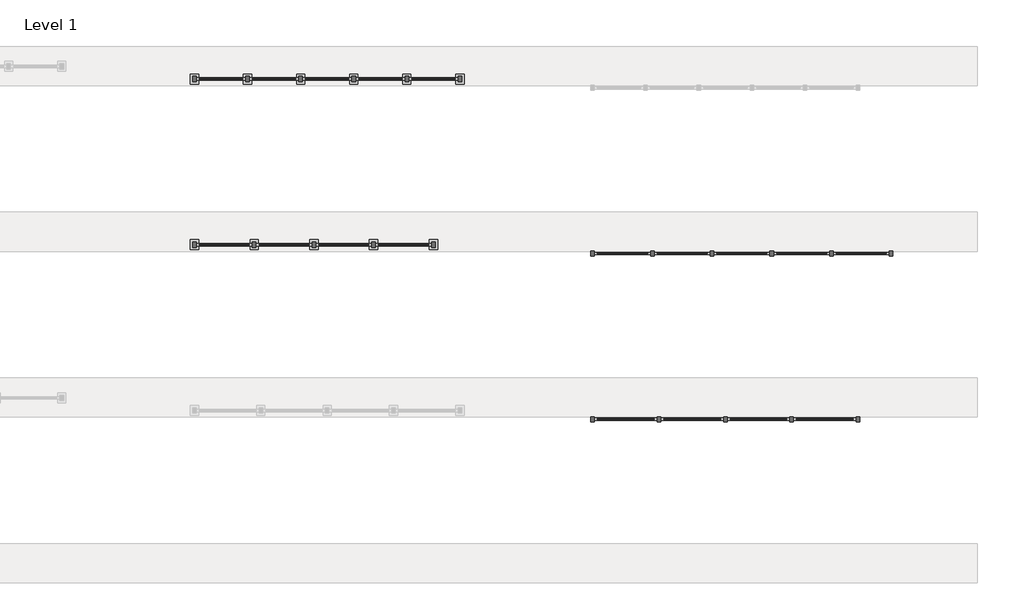
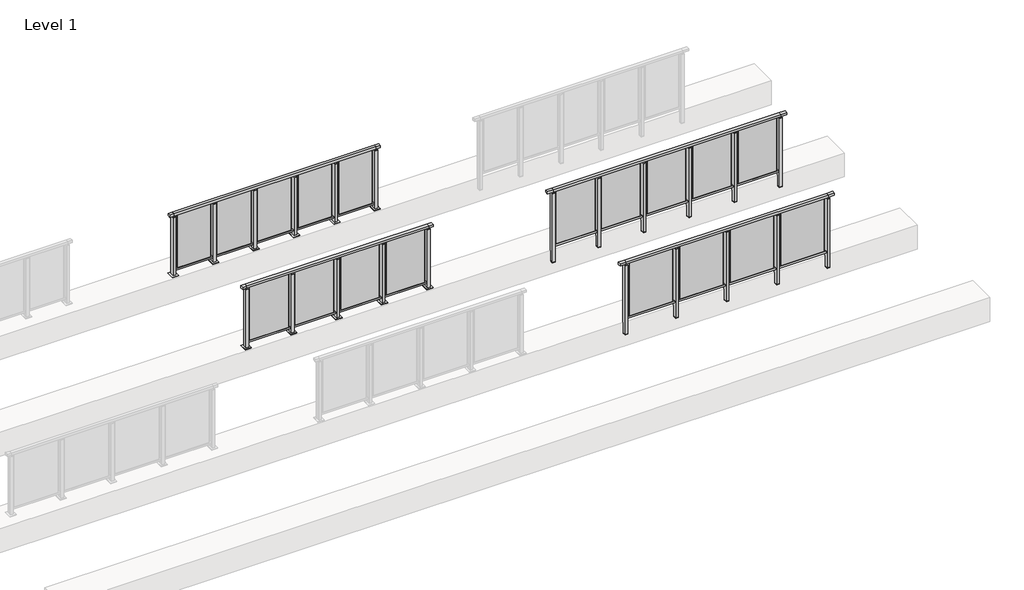
# One storey, part 35 of 38: 4 railings.
"""IFC4 building model written with IfcOpenShell, lengths in millimetres."""

from ifc_helpers import new_model, si_unit, frame, origin, origin_with_axes, place, context, project, spatial, polyline, outline, extrude, faceted_brep, element, save

model = new_model("IFC4")

# Units and contexts
model_context = context("Model", 3, world=origin())
ifc_project = project(units=[si_unit("LENGTHUNIT", "METRE", prefix="MILLI")], contexts=[model_context])

# Site, building, storey
site = spatial("IfcSite", under=ifc_project)
building = spatial("IfcBuilding", under=site)
storey = spatial("IfcBuildingStorey", under=building, Name="Level 1", Elevation=0.0)

# Railings
placement = place(None, origin())
element("IfcRailing", 1, at=placement, inside=storey, context=model_context, shape_type="SolidModel", body=[
    faceted_brep([(41476.1884576, 47397.6846828, 1252.5), (41476.1884576, 47397.6846828, 1300.0), (45476.1884576, 47397.6846828, 1300.0), (45476.1884576, 47397.6846828, 1252.5), (41476.1884576, 47337.6846828, 1252.5), (45476.1884576, 47337.6846828, 1252.5), (41476.1884576, 47337.6846828, 1300.0), (45476.1884576, 47337.6846828, 1300.0), (41353.1884576, 47397.6846828, 1300.0), (41353.1884576, 47397.6846828, 1252.5), (41353.1884576, 47337.6846828, 1252.5), (41353.1884576, 47337.6846828, 1300.0), (45599.1884576, 47397.6846828, 1300.0), (45599.1884576, 47337.6846828, 1300.0), (45599.1884576, 47337.6846828, 1252.5), (45599.1884576, 47397.6846828, 1252.5)], [[[0, 1, 2, 3]], [[4, 0, 3, 5]], [[6, 4, 5, 7]], [[1, 6, 7, 2]], [[8, 9, 10, 11]], [[9, 8, 1, 0]], [[10, 9, 0, 4]], [[11, 10, 4, 6]], [[8, 11, 6, 1]], [[12, 13, 14, 15]], [[3, 2, 12, 15]], [[5, 3, 15, 14]], [[7, 5, 14, 13]], [[2, 7, 13, 12]]]),
    extrude(outline(polyline([(41476.1884576, 47349.6846828), (41476.1884576, 47385.6846828), (45476.1884576, 47385.6846828), (45476.1884576, 47349.6846828), (41476.1884576, 47349.6846828)])), frame((0.0, 0.0, 93.0), z_axis=(0.0, 0.0, 1.0), x_axis=(1.0, 0.0, 0.0)), (0.0, 0.0, 1.0), 32.0),
    extrude(outline(polyline([(44548.6884576, 47365.9094929), (44548.6884576, 47371.9094929), (45403.6884576, 47371.9094929), (45403.6884576, 47365.9094929), (44548.6884576, 47365.9094929)])), frame((0.0, 0.0, 125.0), z_axis=(0.0, 0.0, 1.0), x_axis=(1.0, 0.0, 0.0)), (0.0, 0.0, 1.0), 1130.0),
    extrude(outline(polyline([(44503.1884576, 47406.6846828), (44503.1884576, 47328.6846828), (44449.1884576, 47328.6846828), (44449.1884576, 47406.6846828), (44503.1884576, 47406.6846828)])), frame((0.0, 0.0, 1227.0), z_axis=(0.0, 0.0, 1.0), x_axis=(1.0, 0.0, 0.0)), (0.0, 0.0, 1.0), 8.0),
    extrude(outline(polyline([(44486.1884576, 47377.6846828), (44486.1884576, 47357.6846828), (44466.1884576, 47357.6846828), (44466.1884576, 47377.6846828), (44486.1884576, 47377.6846828)])), frame((0.0, 0.0, 1235.0), z_axis=(0.0, 0.0, 1.0), x_axis=(1.0, 0.0, 0.0)), (0.0, 0.0, 1.0), 20.0),
    extrude(outline(polyline([(44503.1884576, 47406.6846828), (44503.1884576, 47328.6846828), (44449.1884576, 47328.6846828), (44449.1884576, 47406.6846828), (44503.1884576, 47406.6846828)])), frame((0.0, 0.0, -220.0), z_axis=(0.0, 0.0, 1.0), x_axis=(1.0, 0.0, 0.0)), (0.0, 0.0, 1.0), 8.0),
    extrude(outline(polyline([(44503.1884576, 47406.6846828), (44503.1884576, 47328.6846828), (44449.1884576, 47328.6846828), (44449.1884576, 47406.6846828), (44503.1884576, 47406.6846828)])), frame((0.0, 0.0, -212.0), z_axis=(0.0, 0.0, 1.0), x_axis=(1.0, 0.0, 0.0)), (0.0, 0.0, 1.0), 1439.0),
    extrude(outline(polyline([(43548.6884576, 47365.9094929), (43548.6884576, 47371.9094929), (44403.6884576, 47371.9094929), (44403.6884576, 47365.9094929), (43548.6884576, 47365.9094929)])), frame((0.0, 0.0, 125.0), z_axis=(0.0, 0.0, 1.0), x_axis=(1.0, 0.0, 0.0)), (0.0, 0.0, 1.0), 1130.0),
    extrude(outline(polyline([(43503.1884576, 47406.6846828), (43503.1884576, 47328.6846828), (43449.1884576, 47328.6846828), (43449.1884576, 47406.6846828), (43503.1884576, 47406.6846828)])), frame((0.0, 0.0, 1227.0), z_axis=(0.0, 0.0, 1.0), x_axis=(1.0, 0.0, 0.0)), (0.0, 0.0, 1.0), 8.0),
    extrude(outline(polyline([(43486.1884576, 47377.6846828), (43486.1884576, 47357.6846828), (43466.1884576, 47357.6846828), (43466.1884576, 47377.6846828), (43486.1884576, 47377.6846828)])), frame((0.0, 0.0, 1235.0), z_axis=(0.0, 0.0, 1.0), x_axis=(1.0, 0.0, 0.0)), (0.0, 0.0, 1.0), 20.0),
    extrude(outline(polyline([(43503.1884576, 47406.6846828), (43503.1884576, 47328.6846828), (43449.1884576, 47328.6846828), (43449.1884576, 47406.6846828), (43503.1884576, 47406.6846828)])), frame((0.0, 0.0, -220.0), z_axis=(0.0, 0.0, 1.0), x_axis=(1.0, 0.0, 0.0)), (0.0, 0.0, 1.0), 8.0),
    extrude(outline(polyline([(43503.1884576, 47406.6846828), (43503.1884576, 47328.6846828), (43449.1884576, 47328.6846828), (43449.1884576, 47406.6846828), (43503.1884576, 47406.6846828)])), frame((0.0, 0.0, -212.0), z_axis=(0.0, 0.0, 1.0), x_axis=(1.0, 0.0, 0.0)), (0.0, 0.0, 1.0), 1439.0),
    extrude(outline(polyline([(42548.6884576, 47365.9094929), (42548.6884576, 47371.9094929), (43403.6884576, 47371.9094929), (43403.6884576, 47365.9094929), (42548.6884576, 47365.9094929)])), frame((0.0, 0.0, 125.0), z_axis=(0.0, 0.0, 1.0), x_axis=(1.0, 0.0, 0.0)), (0.0, 0.0, 1.0), 1130.0),
    extrude(outline(polyline([(42503.1884576, 47406.6846828), (42503.1884576, 47328.6846828), (42449.1884576, 47328.6846828), (42449.1884576, 47406.6846828), (42503.1884576, 47406.6846828)])), frame((0.0, 0.0, 1227.0), z_axis=(0.0, 0.0, 1.0), x_axis=(1.0, 0.0, 0.0)), (0.0, 0.0, 1.0), 8.0),
    extrude(outline(polyline([(42486.1884576, 47377.6846828), (42486.1884576, 47357.6846828), (42466.1884576, 47357.6846828), (42466.1884576, 47377.6846828), (42486.1884576, 47377.6846828)])), frame((0.0, 0.0, 1235.0), z_axis=(0.0, 0.0, 1.0), x_axis=(1.0, 0.0, 0.0)), (0.0, 0.0, 1.0), 20.0),
    extrude(outline(polyline([(42503.1884576, 47406.6846828), (42503.1884576, 47328.6846828), (42449.1884576, 47328.6846828), (42449.1884576, 47406.6846828), (42503.1884576, 47406.6846828)])), frame((0.0, 0.0, -220.0), z_axis=(0.0, 0.0, 1.0), x_axis=(1.0, 0.0, 0.0)), (0.0, 0.0, 1.0), 8.0),
    extrude(outline(polyline([(42503.1884576, 47406.6846828), (42503.1884576, 47328.6846828), (42449.1884576, 47328.6846828), (42449.1884576, 47406.6846828), (42503.1884576, 47406.6846828)])), frame((0.0, 0.0, -212.0), z_axis=(0.0, 0.0, 1.0), x_axis=(1.0, 0.0, 0.0)), (0.0, 0.0, 1.0), 1439.0),
    extrude(outline(polyline([(41548.6884576, 47365.9094929), (41548.6884576, 47371.9094929), (42403.6884576, 47371.9094929), (42403.6884576, 47365.9094929), (41548.6884576, 47365.9094929)])), frame((0.0, 0.0, 125.0), z_axis=(0.0, 0.0, 1.0), x_axis=(1.0, 0.0, 0.0)), (0.0, 0.0, 1.0), 1130.0),
    extrude(outline(polyline([(45503.1884576, 47406.6846828), (45503.1884576, 47328.6846828), (45449.1884576, 47328.6846828), (45449.1884576, 47406.6846828), (45503.1884576, 47406.6846828)])), frame((0.0, 0.0, 1227.0), z_axis=(0.0, 0.0, 1.0), x_axis=(1.0, 0.0, 0.0)), (0.0, 0.0, 1.0), 8.0),
    extrude(outline(polyline([(45486.1884576, 47377.6846828), (45486.1884576, 47357.6846828), (45466.1884576, 47357.6846828), (45466.1884576, 47377.6846828), (45486.1884576, 47377.6846828)])), frame((0.0, 0.0, 1235.0), z_axis=(0.0, 0.0, 1.0), x_axis=(1.0, 0.0, 0.0)), (0.0, 0.0, 1.0), 20.0),
    extrude(outline(polyline([(45503.1884576, 47406.6846828), (45503.1884576, 47328.6846828), (45449.1884576, 47328.6846828), (45449.1884576, 47406.6846828), (45503.1884576, 47406.6846828)])), frame((0.0, 0.0, -220.0), z_axis=(0.0, 0.0, 1.0), x_axis=(1.0, 0.0, 0.0)), (0.0, 0.0, 1.0), 8.0),
    extrude(outline(polyline([(45503.1884576, 47406.6846828), (45503.1884576, 47328.6846828), (45449.1884576, 47328.6846828), (45449.1884576, 47406.6846828), (45503.1884576, 47406.6846828)])), frame((0.0, 0.0, -212.0), z_axis=(0.0, 0.0, 1.0), x_axis=(1.0, 0.0, 0.0)), (0.0, 0.0, 1.0), 1439.0),
    extrude(outline(polyline([(41503.1884576, 47406.6846828), (41503.1884576, 47328.6846828), (41449.1884576, 47328.6846828), (41449.1884576, 47406.6846828), (41503.1884576, 47406.6846828)])), frame((0.0, 0.0, 1227.0), z_axis=(0.0, 0.0, 1.0), x_axis=(1.0, 0.0, 0.0)), (0.0, 0.0, 1.0), 8.0),
    extrude(outline(polyline([(41486.1884576, 47377.6846828), (41486.1884576, 47357.6846828), (41466.1884576, 47357.6846828), (41466.1884576, 47377.6846828), (41486.1884576, 47377.6846828)])), frame((0.0, 0.0, 1235.0), z_axis=(0.0, 0.0, 1.0), x_axis=(1.0, 0.0, 0.0)), (0.0, 0.0, 1.0), 20.0),
    extrude(outline(polyline([(41503.1884576, 47406.6846828), (41503.1884576, 47328.6846828), (41449.1884576, 47328.6846828), (41449.1884576, 47406.6846828), (41503.1884576, 47406.6846828)])), frame((0.0, 0.0, -220.0), z_axis=(0.0, 0.0, 1.0), x_axis=(1.0, 0.0, 0.0)), (0.0, 0.0, 1.0), 8.0),
    extrude(outline(polyline([(41503.1884576, 47406.6846828), (41503.1884576, 47328.6846828), (41449.1884576, 47328.6846828), (41449.1884576, 47406.6846828), (41503.1884576, 47406.6846828)])), frame((0.0, 0.0, -212.0), z_axis=(0.0, 0.0, 1.0), x_axis=(1.0, 0.0, 0.0)), (0.0, 0.0, 1.0), 1439.0),
])
element("IfcRailing", 2, at=placement, inside=storey, context=model_context, shape_type="SolidModel", body=[
    faceted_brep([(41476.1884576, 49897.6846828, 1252.5), (41476.1884576, 49897.6846828, 1300.0), (45976.1884576, 49897.6846828, 1300.0), (45976.1884576, 49897.6846828, 1252.5), (41476.1884576, 49837.6846828, 1252.5), (45976.1884576, 49837.6846828, 1252.5), (41476.1884576, 49837.6846828, 1300.0), (45976.1884576, 49837.6846828, 1300.0), (41353.1884576, 49897.6846828, 1300.0), (41353.1884576, 49897.6846828, 1252.5), (41353.1884576, 49837.6846828, 1252.5), (41353.1884576, 49837.6846828, 1300.0), (46099.1884576, 49897.6846828, 1300.0), (46099.1884576, 49837.6846828, 1300.0), (46099.1884576, 49837.6846828, 1252.5), (46099.1884576, 49897.6846828, 1252.5)], [[[0, 1, 2, 3]], [[4, 0, 3, 5]], [[6, 4, 5, 7]], [[1, 6, 7, 2]], [[8, 9, 10, 11]], [[9, 8, 1, 0]], [[10, 9, 0, 4]], [[11, 10, 4, 6]], [[8, 11, 6, 1]], [[12, 13, 14, 15]], [[3, 2, 12, 15]], [[5, 3, 15, 14]], [[7, 5, 14, 13]], [[2, 7, 13, 12]]]),
    extrude(outline(polyline([(41476.1884576, 49849.6846828), (41476.1884576, 49885.6846828), (45976.1884576, 49885.6846828), (45976.1884576, 49849.6846828), (41476.1884576, 49849.6846828)])), frame((0.0, 0.0, 93.0), z_axis=(0.0, 0.0, 1.0), x_axis=(1.0, 0.0, 0.0)), (0.0, 0.0, 1.0), 32.0),
    extrude(outline(polyline([(45148.6884576, 49863.9094929), (45148.6884576, 49873.9094929), (45903.6884576, 49873.9094929), (45903.6884576, 49863.9094929), (45148.6884576, 49863.9094929)])), frame((0.0, 0.0, 125.0), z_axis=(0.0, 0.0, 1.0), x_axis=(1.0, 0.0, 0.0)), (0.0, 0.0, 1.0), 1130.0),
    extrude(outline(polyline([(45103.1884576, 49906.6846828), (45103.1884576, 49828.6846828), (45049.1884576, 49828.6846828), (45049.1884576, 49906.6846828), (45103.1884576, 49906.6846828)])), frame((0.0, 0.0, 1227.0), z_axis=(0.0, 0.0, 1.0), x_axis=(1.0, 0.0, 0.0)), (0.0, 0.0, 1.0), 8.0),
    extrude(outline(polyline([(45086.1884576, 49877.6846828), (45086.1884576, 49857.6846828), (45066.1884576, 49857.6846828), (45066.1884576, 49877.6846828), (45086.1884576, 49877.6846828)])), frame((0.0, 0.0, 1235.0), z_axis=(0.0, 0.0, 1.0), x_axis=(1.0, 0.0, 0.0)), (0.0, 0.0, 1.0), 20.0),
    extrude(outline(polyline([(45103.1884576, 49906.6846828), (45103.1884576, 49828.6846828), (45049.1884576, 49828.6846828), (45049.1884576, 49906.6846828), (45103.1884576, 49906.6846828)])), frame((0.0, 0.0, -220.0), z_axis=(0.0, 0.0, 1.0), x_axis=(1.0, 0.0, 0.0)), (0.0, 0.0, 1.0), 8.0),
    extrude(outline(polyline([(45103.1884576, 49906.6846828), (45103.1884576, 49828.6846828), (45049.1884576, 49828.6846828), (45049.1884576, 49906.6846828), (45103.1884576, 49906.6846828)])), frame((0.0, 0.0, -212.0), z_axis=(0.0, 0.0, 1.0), x_axis=(1.0, 0.0, 0.0)), (0.0, 0.0, 1.0), 1439.0),
    extrude(outline(polyline([(44248.6884576, 49863.9094929), (44248.6884576, 49873.9094929), (45003.6884576, 49873.9094929), (45003.6884576, 49863.9094929), (44248.6884576, 49863.9094929)])), frame((0.0, 0.0, 125.0), z_axis=(0.0, 0.0, 1.0), x_axis=(1.0, 0.0, 0.0)), (0.0, 0.0, 1.0), 1130.0),
    extrude(outline(polyline([(44203.1884576, 49906.6846828), (44203.1884576, 49828.6846828), (44149.1884576, 49828.6846828), (44149.1884576, 49906.6846828), (44203.1884576, 49906.6846828)])), frame((0.0, 0.0, 1227.0), z_axis=(0.0, 0.0, 1.0), x_axis=(1.0, 0.0, 0.0)), (0.0, 0.0, 1.0), 8.0),
    extrude(outline(polyline([(44186.1884576, 49877.6846828), (44186.1884576, 49857.6846828), (44166.1884576, 49857.6846828), (44166.1884576, 49877.6846828), (44186.1884576, 49877.6846828)])), frame((0.0, 0.0, 1235.0), z_axis=(0.0, 0.0, 1.0), x_axis=(1.0, 0.0, 0.0)), (0.0, 0.0, 1.0), 20.0),
    extrude(outline(polyline([(44203.1884576, 49906.6846828), (44203.1884576, 49828.6846828), (44149.1884576, 49828.6846828), (44149.1884576, 49906.6846828), (44203.1884576, 49906.6846828)])), frame((0.0, 0.0, -220.0), z_axis=(0.0, 0.0, 1.0), x_axis=(1.0, 0.0, 0.0)), (0.0, 0.0, 1.0), 8.0),
    extrude(outline(polyline([(44203.1884576, 49906.6846828), (44203.1884576, 49828.6846828), (44149.1884576, 49828.6846828), (44149.1884576, 49906.6846828), (44203.1884576, 49906.6846828)])), frame((0.0, 0.0, -212.0), z_axis=(0.0, 0.0, 1.0), x_axis=(1.0, 0.0, 0.0)), (0.0, 0.0, 1.0), 1439.0),
    extrude(outline(polyline([(43348.6884576, 49863.9094929), (43348.6884576, 49873.9094929), (44103.6884576, 49873.9094929), (44103.6884576, 49863.9094929), (43348.6884576, 49863.9094929)])), frame((0.0, 0.0, 125.0), z_axis=(0.0, 0.0, 1.0), x_axis=(1.0, 0.0, 0.0)), (0.0, 0.0, 1.0), 1130.0),
    extrude(outline(polyline([(43303.1884576, 49906.6846828), (43303.1884576, 49828.6846828), (43249.1884576, 49828.6846828), (43249.1884576, 49906.6846828), (43303.1884576, 49906.6846828)])), frame((0.0, 0.0, 1227.0), z_axis=(0.0, 0.0, 1.0), x_axis=(1.0, 0.0, 0.0)), (0.0, 0.0, 1.0), 8.0),
    extrude(outline(polyline([(43286.1884576, 49877.6846828), (43286.1884576, 49857.6846828), (43266.1884576, 49857.6846828), (43266.1884576, 49877.6846828), (43286.1884576, 49877.6846828)])), frame((0.0, 0.0, 1235.0), z_axis=(0.0, 0.0, 1.0), x_axis=(1.0, 0.0, 0.0)), (0.0, 0.0, 1.0), 20.0),
    extrude(outline(polyline([(43303.1884576, 49906.6846828), (43303.1884576, 49828.6846828), (43249.1884576, 49828.6846828), (43249.1884576, 49906.6846828), (43303.1884576, 49906.6846828)])), frame((0.0, 0.0, -220.0), z_axis=(0.0, 0.0, 1.0), x_axis=(1.0, 0.0, 0.0)), (0.0, 0.0, 1.0), 8.0),
    extrude(outline(polyline([(43303.1884576, 49906.6846828), (43303.1884576, 49828.6846828), (43249.1884576, 49828.6846828), (43249.1884576, 49906.6846828), (43303.1884576, 49906.6846828)])), frame((0.0, 0.0, -212.0), z_axis=(0.0, 0.0, 1.0), x_axis=(1.0, 0.0, 0.0)), (0.0, 0.0, 1.0), 1439.0),
    extrude(outline(polyline([(42448.6884576, 49863.9094929), (42448.6884576, 49873.9094929), (43203.6884576, 49873.9094929), (43203.6884576, 49863.9094929), (42448.6884576, 49863.9094929)])), frame((0.0, 0.0, 125.0), z_axis=(0.0, 0.0, 1.0), x_axis=(1.0, 0.0, 0.0)), (0.0, 0.0, 1.0), 1130.0),
    extrude(outline(polyline([(42403.1884576, 49906.6846828), (42403.1884576, 49828.6846828), (42349.1884576, 49828.6846828), (42349.1884576, 49906.6846828), (42403.1884576, 49906.6846828)])), frame((0.0, 0.0, 1227.0), z_axis=(0.0, 0.0, 1.0), x_axis=(1.0, 0.0, 0.0)), (0.0, 0.0, 1.0), 8.0),
    extrude(outline(polyline([(42386.1884576, 49877.6846828), (42386.1884576, 49857.6846828), (42366.1884576, 49857.6846828), (42366.1884576, 49877.6846828), (42386.1884576, 49877.6846828)])), frame((0.0, 0.0, 1235.0), z_axis=(0.0, 0.0, 1.0), x_axis=(1.0, 0.0, 0.0)), (0.0, 0.0, 1.0), 20.0),
    extrude(outline(polyline([(42403.1884576, 49906.6846828), (42403.1884576, 49828.6846828), (42349.1884576, 49828.6846828), (42349.1884576, 49906.6846828), (42403.1884576, 49906.6846828)])), frame((0.0, 0.0, -220.0), z_axis=(0.0, 0.0, 1.0), x_axis=(1.0, 0.0, 0.0)), (0.0, 0.0, 1.0), 8.0),
    extrude(outline(polyline([(42403.1884576, 49906.6846828), (42403.1884576, 49828.6846828), (42349.1884576, 49828.6846828), (42349.1884576, 49906.6846828), (42403.1884576, 49906.6846828)])), frame((0.0, 0.0, -212.0), z_axis=(0.0, 0.0, 1.0), x_axis=(1.0, 0.0, 0.0)), (0.0, 0.0, 1.0), 1439.0),
    extrude(outline(polyline([(41548.6884576, 49863.9094929), (41548.6884576, 49873.9094929), (42303.6884576, 49873.9094929), (42303.6884576, 49863.9094929), (41548.6884576, 49863.9094929)])), frame((0.0, 0.0, 125.0), z_axis=(0.0, 0.0, 1.0), x_axis=(1.0, 0.0, 0.0)), (0.0, 0.0, 1.0), 1130.0),
    extrude(outline(polyline([(46003.1884576, 49906.6846828), (46003.1884576, 49828.6846828), (45949.1884576, 49828.6846828), (45949.1884576, 49906.6846828), (46003.1884576, 49906.6846828)])), frame((0.0, 0.0, 1227.0), z_axis=(0.0, 0.0, 1.0), x_axis=(1.0, 0.0, 0.0)), (0.0, 0.0, 1.0), 8.0),
    extrude(outline(polyline([(45986.1884576, 49877.6846828), (45986.1884576, 49857.6846828), (45966.1884576, 49857.6846828), (45966.1884576, 49877.6846828), (45986.1884576, 49877.6846828)])), frame((0.0, 0.0, 1235.0), z_axis=(0.0, 0.0, 1.0), x_axis=(1.0, 0.0, 0.0)), (0.0, 0.0, 1.0), 20.0),
    extrude(outline(polyline([(46003.1884576, 49906.6846828), (46003.1884576, 49828.6846828), (45949.1884576, 49828.6846828), (45949.1884576, 49906.6846828), (46003.1884576, 49906.6846828)])), frame((0.0, 0.0, -220.0), z_axis=(0.0, 0.0, 1.0), x_axis=(1.0, 0.0, 0.0)), (0.0, 0.0, 1.0), 8.0),
    extrude(outline(polyline([(46003.1884576, 49906.6846828), (46003.1884576, 49828.6846828), (45949.1884576, 49828.6846828), (45949.1884576, 49906.6846828), (46003.1884576, 49906.6846828)])), frame((0.0, 0.0, -212.0), z_axis=(0.0, 0.0, 1.0), x_axis=(1.0, 0.0, 0.0)), (0.0, 0.0, 1.0), 1439.0),
    extrude(outline(polyline([(41503.1884576, 49906.6846828), (41503.1884576, 49828.6846828), (41449.1884576, 49828.6846828), (41449.1884576, 49906.6846828), (41503.1884576, 49906.6846828)])), frame((0.0, 0.0, 1227.0), z_axis=(0.0, 0.0, 1.0), x_axis=(1.0, 0.0, 0.0)), (0.0, 0.0, 1.0), 8.0),
    extrude(outline(polyline([(41486.1884576, 49877.6846828), (41486.1884576, 49857.6846828), (41466.1884576, 49857.6846828), (41466.1884576, 49877.6846828), (41486.1884576, 49877.6846828)])), frame((0.0, 0.0, 1235.0), z_axis=(0.0, 0.0, 1.0), x_axis=(1.0, 0.0, 0.0)), (0.0, 0.0, 1.0), 20.0),
    extrude(outline(polyline([(41503.1884576, 49906.6846828), (41503.1884576, 49828.6846828), (41449.1884576, 49828.6846828), (41449.1884576, 49906.6846828), (41503.1884576, 49906.6846828)])), frame((0.0, 0.0, -220.0), z_axis=(0.0, 0.0, 1.0), x_axis=(1.0, 0.0, 0.0)), (0.0, 0.0, 1.0), 8.0),
    extrude(outline(polyline([(41503.1884576, 49906.6846828), (41503.1884576, 49828.6846828), (41449.1884576, 49828.6846828), (41449.1884576, 49906.6846828), (41503.1884576, 49906.6846828)])), frame((0.0, 0.0, -212.0), z_axis=(0.0, 0.0, 1.0), x_axis=(1.0, 0.0, 0.0)), (0.0, 0.0, 1.0), 1439.0),
])
element("IfcRailing", 3, at=placement, inside=storey, context=model_context, shape_type="SolidModel", body=[
    faceted_brep([(35476.1884576, 50030.1846828, 1252.5), (35476.1884576, 50030.1846828, 1300.0), (39076.1884576, 50030.1846828, 1300.0), (39076.1884576, 50030.1846828, 1252.5), (35476.1884576, 49970.1846828, 1252.5), (39076.1884576, 49970.1846828, 1252.5), (35476.1884576, 49970.1846828, 1300.0), (39076.1884576, 49970.1846828, 1300.0), (35388.6884576, 50030.1846828, 1300.0), (35388.6884576, 50030.1846828, 1252.5), (35388.6884576, 49970.1846828, 1252.5), (35388.6884576, 49970.1846828, 1300.0), (39163.6884576, 50030.1846828, 1300.0), (39163.6884576, 49970.1846828, 1300.0), (39163.6884576, 49970.1846828, 1252.5), (39163.6884576, 50030.1846828, 1252.5)], [[[0, 1, 2, 3]], [[4, 0, 3, 5]], [[6, 4, 5, 7]], [[1, 6, 7, 2]], [[8, 9, 10, 11]], [[9, 8, 1, 0]], [[10, 9, 0, 4]], [[11, 10, 4, 6]], [[8, 11, 6, 1]], [[12, 13, 14, 15]], [[3, 2, 12, 15]], [[5, 3, 15, 14]], [[7, 5, 14, 13]], [[2, 7, 13, 12]]]),
    extrude(outline(polyline([(35476.1884576, 49982.1846828), (35476.1884576, 50018.1846828), (39076.1884576, 50018.1846828), (39076.1884576, 49982.1846828), (35476.1884576, 49982.1846828)])), frame((0.0, 0.0, 93.0), z_axis=(0.0, 0.0, 1.0), x_axis=(1.0, 0.0, 0.0)), (0.0, 0.0, 1.0), 32.0),
    extrude(outline(polyline([(38248.6884576, 50003.9598727), (39003.6884576, 50003.9598727), (39003.6884576, 49993.9598727), (38248.6884576, 49993.9598727), (38248.6884576, 50003.9598727)])), frame((0.0, 0.0, 125.0), z_axis=(0.0, 0.0, 1.0), x_axis=(1.0, 0.0, 0.0)), (0.0, 0.0, 1.0), 1130.0),
    extrude(outline(polyline([(38203.1884576, 49961.1846828), (38149.1884576, 49961.1846828), (38149.1884576, 50039.1846828), (38203.1884576, 50039.1846828), (38203.1884576, 49961.1846828)])), frame((0.0, 0.0, 12.0), z_axis=(0.0, 0.0, 1.0), x_axis=(1.0, 0.0, 0.0)), (0.0, 0.0, 1.0), 1215.0),
    extrude(outline(polyline([(38186.1884576, 49990.1846828), (38166.1884576, 49990.1846828), (38166.1884576, 50010.1846828), (38186.1884576, 50010.1846828), (38186.1884576, 49990.1846828)])), frame((0.0, 0.0, 1235.0), z_axis=(0.0, 0.0, 1.0), x_axis=(1.0, 0.0, 0.0)), (0.0, 0.0, 1.0), 20.0),
    extrude(outline(polyline([(38203.1884576, 49961.1846828), (38149.1884576, 49961.1846828), (38149.1884576, 50039.1846828), (38203.1884576, 50039.1846828), (38203.1884576, 49961.1846828)])), frame((0.0, 0.0, 1227.0), z_axis=(0.0, 0.0, 1.0), x_axis=(1.0, 0.0, 0.0)), (0.0, 0.0, 1.0), 8.0),
    extrude(outline(polyline([(38238.6884576, 49925.1846828), (38113.6884576, 49925.1846828), (38113.6884576, 50075.1846828), (38238.6884576, 50075.1846828), (38238.6884576, 49925.1846828)])), origin_with_axes(), (0.0, 0.0, 1.0), 12.0),
    extrude(outline(polyline([(37348.6884576, 50003.9598727), (38103.6884576, 50003.9598727), (38103.6884576, 49993.9598727), (37348.6884576, 49993.9598727), (37348.6884576, 50003.9598727)])), frame((0.0, 0.0, 125.0), z_axis=(0.0, 0.0, 1.0), x_axis=(1.0, 0.0, 0.0)), (0.0, 0.0, 1.0), 1130.0),
    extrude(outline(polyline([(37303.1884576, 49961.1846828), (37249.1884576, 49961.1846828), (37249.1884576, 50039.1846828), (37303.1884576, 50039.1846828), (37303.1884576, 49961.1846828)])), frame((0.0, 0.0, 12.0), z_axis=(0.0, 0.0, 1.0), x_axis=(1.0, 0.0, 0.0)), (0.0, 0.0, 1.0), 1215.0),
    extrude(outline(polyline([(37286.1884576, 49990.1846828), (37266.1884576, 49990.1846828), (37266.1884576, 50010.1846828), (37286.1884576, 50010.1846828), (37286.1884576, 49990.1846828)])), frame((0.0, 0.0, 1235.0), z_axis=(0.0, 0.0, 1.0), x_axis=(1.0, 0.0, 0.0)), (0.0, 0.0, 1.0), 20.0),
    extrude(outline(polyline([(37303.1884576, 49961.1846828), (37249.1884576, 49961.1846828), (37249.1884576, 50039.1846828), (37303.1884576, 50039.1846828), (37303.1884576, 49961.1846828)])), frame((0.0, 0.0, 1227.0), z_axis=(0.0, 0.0, 1.0), x_axis=(1.0, 0.0, 0.0)), (0.0, 0.0, 1.0), 8.0),
    extrude(outline(polyline([(37338.6884576, 49925.1846828), (37213.6884576, 49925.1846828), (37213.6884576, 50075.1846828), (37338.6884576, 50075.1846828), (37338.6884576, 49925.1846828)])), origin_with_axes(), (0.0, 0.0, 1.0), 12.0),
    extrude(outline(polyline([(36448.6884576, 50003.9598727), (37203.6884576, 50003.9598727), (37203.6884576, 49993.9598727), (36448.6884576, 49993.9598727), (36448.6884576, 50003.9598727)])), frame((0.0, 0.0, 125.0), z_axis=(0.0, 0.0, 1.0), x_axis=(1.0, 0.0, 0.0)), (0.0, 0.0, 1.0), 1130.0),
    extrude(outline(polyline([(36403.1884576, 49961.1846828), (36349.1884576, 49961.1846828), (36349.1884576, 50039.1846828), (36403.1884576, 50039.1846828), (36403.1884576, 49961.1846828)])), frame((0.0, 0.0, 12.0), z_axis=(0.0, 0.0, 1.0), x_axis=(1.0, 0.0, 0.0)), (0.0, 0.0, 1.0), 1215.0),
    extrude(outline(polyline([(36386.1884576, 49990.1846828), (36366.1884576, 49990.1846828), (36366.1884576, 50010.1846828), (36386.1884576, 50010.1846828), (36386.1884576, 49990.1846828)])), frame((0.0, 0.0, 1235.0), z_axis=(0.0, 0.0, 1.0), x_axis=(1.0, 0.0, 0.0)), (0.0, 0.0, 1.0), 20.0),
    extrude(outline(polyline([(36403.1884576, 49961.1846828), (36349.1884576, 49961.1846828), (36349.1884576, 50039.1846828), (36403.1884576, 50039.1846828), (36403.1884576, 49961.1846828)])), frame((0.0, 0.0, 1227.0), z_axis=(0.0, 0.0, 1.0), x_axis=(1.0, 0.0, 0.0)), (0.0, 0.0, 1.0), 8.0),
    extrude(outline(polyline([(36438.6884576, 49925.1846828), (36313.6884576, 49925.1846828), (36313.6884576, 50075.1846828), (36438.6884576, 50075.1846828), (36438.6884576, 49925.1846828)])), origin_with_axes(), (0.0, 0.0, 1.0), 12.0),
    extrude(outline(polyline([(35548.6884576, 50003.9598727), (36303.6884576, 50003.9598727), (36303.6884576, 49993.9598727), (35548.6884576, 49993.9598727), (35548.6884576, 50003.9598727)])), frame((0.0, 0.0, 125.0), z_axis=(0.0, 0.0, 1.0), x_axis=(1.0, 0.0, 0.0)), (0.0, 0.0, 1.0), 1130.0),
    extrude(outline(polyline([(39103.1884576, 49961.1846828), (39049.1884576, 49961.1846828), (39049.1884576, 50039.1846828), (39103.1884576, 50039.1846828), (39103.1884576, 49961.1846828)])), frame((0.0, 0.0, 12.0), z_axis=(0.0, 0.0, 1.0), x_axis=(1.0, 0.0, 0.0)), (0.0, 0.0, 1.0), 1215.0),
    extrude(outline(polyline([(39086.1884576, 49990.1846828), (39066.1884576, 49990.1846828), (39066.1884576, 50010.1846828), (39086.1884576, 50010.1846828), (39086.1884576, 49990.1846828)])), frame((0.0, 0.0, 1235.0), z_axis=(0.0, 0.0, 1.0), x_axis=(1.0, 0.0, 0.0)), (0.0, 0.0, 1.0), 20.0),
    extrude(outline(polyline([(39103.1884576, 49961.1846828), (39049.1884576, 49961.1846828), (39049.1884576, 50039.1846828), (39103.1884576, 50039.1846828), (39103.1884576, 49961.1846828)])), frame((0.0, 0.0, 1227.0), z_axis=(0.0, 0.0, 1.0), x_axis=(1.0, 0.0, 0.0)), (0.0, 0.0, 1.0), 8.0),
    extrude(outline(polyline([(39138.6884576, 49925.1846828), (39013.6884576, 49925.1846828), (39013.6884576, 50075.1846828), (39138.6884576, 50075.1846828), (39138.6884576, 49925.1846828)])), origin_with_axes(), (0.0, 0.0, 1.0), 12.0),
    extrude(outline(polyline([(35503.1884576, 49961.1846828), (35449.1884576, 49961.1846828), (35449.1884576, 50039.1846828), (35503.1884576, 50039.1846828), (35503.1884576, 49961.1846828)])), frame((0.0, 0.0, 12.0), z_axis=(0.0, 0.0, 1.0), x_axis=(1.0, 0.0, 0.0)), (0.0, 0.0, 1.0), 1215.0),
    extrude(outline(polyline([(35486.1884576, 49990.1846828), (35466.1884576, 49990.1846828), (35466.1884576, 50010.1846828), (35486.1884576, 50010.1846828), (35486.1884576, 49990.1846828)])), frame((0.0, 0.0, 1235.0), z_axis=(0.0, 0.0, 1.0), x_axis=(1.0, 0.0, 0.0)), (0.0, 0.0, 1.0), 20.0),
    extrude(outline(polyline([(35503.1884576, 49961.1846828), (35449.1884576, 49961.1846828), (35449.1884576, 50039.1846828), (35503.1884576, 50039.1846828), (35503.1884576, 49961.1846828)])), frame((0.0, 0.0, 1227.0), z_axis=(0.0, 0.0, 1.0), x_axis=(1.0, 0.0, 0.0)), (0.0, 0.0, 1.0), 8.0),
    extrude(outline(polyline([(35538.6884576, 49925.1846828), (35413.6884576, 49925.1846828), (35413.6884576, 50075.1846828), (35538.6884576, 50075.1846828), (35538.6884576, 49925.1846828)])), origin_with_axes(), (0.0, 0.0, 1.0), 12.0),
])
element("IfcRailing", 4, at=placement, inside=storey, context=model_context, shape_type="SolidModel", body=[
    faceted_brep([(35476.1884576, 52530.1846828, 1252.5), (35476.1884576, 52530.1846828, 1300.0), (39476.1884576, 52530.1846828, 1300.0), (39476.1884576, 52530.1846828, 1252.5), (35476.1884576, 52470.1846828, 1252.5), (39476.1884576, 52470.1846828, 1252.5), (35476.1884576, 52470.1846828, 1300.0), (39476.1884576, 52470.1846828, 1300.0), (35388.6884576, 52530.1846828, 1300.0), (35388.6884576, 52530.1846828, 1252.5), (35388.6884576, 52470.1846828, 1252.5), (35388.6884576, 52470.1846828, 1300.0), (39563.6884576, 52530.1846828, 1300.0), (39563.6884576, 52470.1846828, 1300.0), (39563.6884576, 52470.1846828, 1252.5), (39563.6884576, 52530.1846828, 1252.5)], [[[0, 1, 2, 3]], [[4, 0, 3, 5]], [[6, 4, 5, 7]], [[1, 6, 7, 2]], [[8, 9, 10, 11]], [[9, 8, 1, 0]], [[10, 9, 0, 4]], [[11, 10, 4, 6]], [[8, 11, 6, 1]], [[12, 13, 14, 15]], [[3, 2, 12, 15]], [[5, 3, 15, 14]], [[7, 5, 14, 13]], [[2, 7, 13, 12]]]),
    extrude(outline(polyline([(35476.1884576, 52482.1846828), (35476.1884576, 52518.1846828), (39476.1884576, 52518.1846828), (39476.1884576, 52482.1846828), (35476.1884576, 52482.1846828)])), frame((0.0, 0.0, 93.0), z_axis=(0.0, 0.0, 1.0), x_axis=(1.0, 0.0, 0.0)), (0.0, 0.0, 1.0), 32.0),
    extrude(outline(polyline([(38748.6884576, 52503.9598727), (39403.6884576, 52503.9598727), (39403.6884576, 52493.9598727), (38748.6884576, 52493.9598727), (38748.6884576, 52503.9598727)])), frame((0.0, 0.0, 125.0), z_axis=(0.0, 0.0, 1.0), x_axis=(1.0, 0.0, 0.0)), (0.0, 0.0, 1.0), 1130.0),
    extrude(outline(polyline([(38703.1884576, 52461.1846828), (38649.1884576, 52461.1846828), (38649.1884576, 52539.1846828), (38703.1884576, 52539.1846828), (38703.1884576, 52461.1846828)])), frame((0.0, 0.0, 12.0), z_axis=(0.0, 0.0, 1.0), x_axis=(1.0, 0.0, 0.0)), (0.0, 0.0, 1.0), 1215.0),
    extrude(outline(polyline([(38686.1884576, 52490.1846828), (38666.1884576, 52490.1846828), (38666.1884576, 52510.1846828), (38686.1884576, 52510.1846828), (38686.1884576, 52490.1846828)])), frame((0.0, 0.0, 1235.0), z_axis=(0.0, 0.0, 1.0), x_axis=(1.0, 0.0, 0.0)), (0.0, 0.0, 1.0), 20.0),
    extrude(outline(polyline([(38703.1884576, 52461.1846828), (38649.1884576, 52461.1846828), (38649.1884576, 52539.1846828), (38703.1884576, 52539.1846828), (38703.1884576, 52461.1846828)])), frame((0.0, 0.0, 1227.0), z_axis=(0.0, 0.0, 1.0), x_axis=(1.0, 0.0, 0.0)), (0.0, 0.0, 1.0), 8.0),
    extrude(outline(polyline([(38738.6884576, 52425.1846828), (38613.6884576, 52425.1846828), (38613.6884576, 52575.1846828), (38738.6884576, 52575.1846828), (38738.6884576, 52425.1846828)])), origin_with_axes(), (0.0, 0.0, 1.0), 12.0),
    extrude(outline(polyline([(37948.6884576, 52503.9598727), (38603.6884576, 52503.9598727), (38603.6884576, 52493.9598727), (37948.6884576, 52493.9598727), (37948.6884576, 52503.9598727)])), frame((0.0, 0.0, 125.0), z_axis=(0.0, 0.0, 1.0), x_axis=(1.0, 0.0, 0.0)), (0.0, 0.0, 1.0), 1130.0),
    extrude(outline(polyline([(37903.1884576, 52461.1846828), (37849.1884576, 52461.1846828), (37849.1884576, 52539.1846828), (37903.1884576, 52539.1846828), (37903.1884576, 52461.1846828)])), frame((0.0, 0.0, 12.0), z_axis=(0.0, 0.0, 1.0), x_axis=(1.0, 0.0, 0.0)), (0.0, 0.0, 1.0), 1215.0),
    extrude(outline(polyline([(37886.1884576, 52490.1846828), (37866.1884576, 52490.1846828), (37866.1884576, 52510.1846828), (37886.1884576, 52510.1846828), (37886.1884576, 52490.1846828)])), frame((0.0, 0.0, 1235.0), z_axis=(0.0, 0.0, 1.0), x_axis=(1.0, 0.0, 0.0)), (0.0, 0.0, 1.0), 20.0),
    extrude(outline(polyline([(37903.1884576, 52461.1846828), (37849.1884576, 52461.1846828), (37849.1884576, 52539.1846828), (37903.1884576, 52539.1846828), (37903.1884576, 52461.1846828)])), frame((0.0, 0.0, 1227.0), z_axis=(0.0, 0.0, 1.0), x_axis=(1.0, 0.0, 0.0)), (0.0, 0.0, 1.0), 8.0),
    extrude(outline(polyline([(37938.6884576, 52425.1846828), (37813.6884576, 52425.1846828), (37813.6884576, 52575.1846828), (37938.6884576, 52575.1846828), (37938.6884576, 52425.1846828)])), origin_with_axes(), (0.0, 0.0, 1.0), 12.0),
    extrude(outline(polyline([(37148.6884576, 52503.9598727), (37803.6884576, 52503.9598727), (37803.6884576, 52493.9598727), (37148.6884576, 52493.9598727), (37148.6884576, 52503.9598727)])), frame((0.0, 0.0, 125.0), z_axis=(0.0, 0.0, 1.0), x_axis=(1.0, 0.0, 0.0)), (0.0, 0.0, 1.0), 1130.0),
    extrude(outline(polyline([(37103.1884576, 52461.1846828), (37049.1884576, 52461.1846828), (37049.1884576, 52539.1846828), (37103.1884576, 52539.1846828), (37103.1884576, 52461.1846828)])), frame((0.0, 0.0, 12.0), z_axis=(0.0, 0.0, 1.0), x_axis=(1.0, 0.0, 0.0)), (0.0, 0.0, 1.0), 1215.0),
    extrude(outline(polyline([(37086.1884576, 52490.1846828), (37066.1884576, 52490.1846828), (37066.1884576, 52510.1846828), (37086.1884576, 52510.1846828), (37086.1884576, 52490.1846828)])), frame((0.0, 0.0, 1235.0), z_axis=(0.0, 0.0, 1.0), x_axis=(1.0, 0.0, 0.0)), (0.0, 0.0, 1.0), 20.0),
    extrude(outline(polyline([(37103.1884576, 52461.1846828), (37049.1884576, 52461.1846828), (37049.1884576, 52539.1846828), (37103.1884576, 52539.1846828), (37103.1884576, 52461.1846828)])), frame((0.0, 0.0, 1227.0), z_axis=(0.0, 0.0, 1.0), x_axis=(1.0, 0.0, 0.0)), (0.0, 0.0, 1.0), 8.0),
    extrude(outline(polyline([(37138.6884576, 52425.1846828), (37013.6884576, 52425.1846828), (37013.6884576, 52575.1846828), (37138.6884576, 52575.1846828), (37138.6884576, 52425.1846828)])), origin_with_axes(), (0.0, 0.0, 1.0), 12.0),
    extrude(outline(polyline([(36348.6884576, 52503.9598727), (37003.6884576, 52503.9598727), (37003.6884576, 52493.9598727), (36348.6884576, 52493.9598727), (36348.6884576, 52503.9598727)])), frame((0.0, 0.0, 125.0), z_axis=(0.0, 0.0, 1.0), x_axis=(1.0, 0.0, 0.0)), (0.0, 0.0, 1.0), 1130.0),
    extrude(outline(polyline([(36303.1884576, 52461.1846828), (36249.1884576, 52461.1846828), (36249.1884576, 52539.1846828), (36303.1884576, 52539.1846828), (36303.1884576, 52461.1846828)])), frame((0.0, 0.0, 12.0), z_axis=(0.0, 0.0, 1.0), x_axis=(1.0, 0.0, 0.0)), (0.0, 0.0, 1.0), 1215.0),
    extrude(outline(polyline([(36286.1884576, 52490.1846828), (36266.1884576, 52490.1846828), (36266.1884576, 52510.1846828), (36286.1884576, 52510.1846828), (36286.1884576, 52490.1846828)])), frame((0.0, 0.0, 1235.0), z_axis=(0.0, 0.0, 1.0), x_axis=(1.0, 0.0, 0.0)), (0.0, 0.0, 1.0), 20.0),
    extrude(outline(polyline([(36303.1884576, 52461.1846828), (36249.1884576, 52461.1846828), (36249.1884576, 52539.1846828), (36303.1884576, 52539.1846828), (36303.1884576, 52461.1846828)])), frame((0.0, 0.0, 1227.0), z_axis=(0.0, 0.0, 1.0), x_axis=(1.0, 0.0, 0.0)), (0.0, 0.0, 1.0), 8.0),
    extrude(outline(polyline([(36338.6884576, 52425.1846828), (36213.6884576, 52425.1846828), (36213.6884576, 52575.1846828), (36338.6884576, 52575.1846828), (36338.6884576, 52425.1846828)])), origin_with_axes(), (0.0, 0.0, 1.0), 12.0),
    extrude(outline(polyline([(35548.6884576, 52503.9598727), (36203.6884576, 52503.9598727), (36203.6884576, 52493.9598727), (35548.6884576, 52493.9598727), (35548.6884576, 52503.9598727)])), frame((0.0, 0.0, 125.0), z_axis=(0.0, 0.0, 1.0), x_axis=(1.0, 0.0, 0.0)), (0.0, 0.0, 1.0), 1130.0),
    extrude(outline(polyline([(39503.1884576, 52461.1846828), (39449.1884576, 52461.1846828), (39449.1884576, 52539.1846828), (39503.1884576, 52539.1846828), (39503.1884576, 52461.1846828)])), frame((0.0, 0.0, 12.0), z_axis=(0.0, 0.0, 1.0), x_axis=(1.0, 0.0, 0.0)), (0.0, 0.0, 1.0), 1215.0),
    extrude(outline(polyline([(39486.1884576, 52490.1846828), (39466.1884576, 52490.1846828), (39466.1884576, 52510.1846828), (39486.1884576, 52510.1846828), (39486.1884576, 52490.1846828)])), frame((0.0, 0.0, 1235.0), z_axis=(0.0, 0.0, 1.0), x_axis=(1.0, 0.0, 0.0)), (0.0, 0.0, 1.0), 20.0),
    extrude(outline(polyline([(39503.1884576, 52461.1846828), (39449.1884576, 52461.1846828), (39449.1884576, 52539.1846828), (39503.1884576, 52539.1846828), (39503.1884576, 52461.1846828)])), frame((0.0, 0.0, 1227.0), z_axis=(0.0, 0.0, 1.0), x_axis=(1.0, 0.0, 0.0)), (0.0, 0.0, 1.0), 8.0),
    extrude(outline(polyline([(39538.6884576, 52425.1846828), (39413.6884576, 52425.1846828), (39413.6884576, 52575.1846828), (39538.6884576, 52575.1846828), (39538.6884576, 52425.1846828)])), origin_with_axes(), (0.0, 0.0, 1.0), 12.0),
    extrude(outline(polyline([(35503.1884576, 52461.1846828), (35449.1884576, 52461.1846828), (35449.1884576, 52539.1846828), (35503.1884576, 52539.1846828), (35503.1884576, 52461.1846828)])), frame((0.0, 0.0, 12.0), z_axis=(0.0, 0.0, 1.0), x_axis=(1.0, 0.0, 0.0)), (0.0, 0.0, 1.0), 1215.0),
    extrude(outline(polyline([(35486.1884576, 52490.1846828), (35466.1884576, 52490.1846828), (35466.1884576, 52510.1846828), (35486.1884576, 52510.1846828), (35486.1884576, 52490.1846828)])), frame((0.0, 0.0, 1235.0), z_axis=(0.0, 0.0, 1.0), x_axis=(1.0, 0.0, 0.0)), (0.0, 0.0, 1.0), 20.0),
    extrude(outline(polyline([(35503.1884576, 52461.1846828), (35449.1884576, 52461.1846828), (35449.1884576, 52539.1846828), (35503.1884576, 52539.1846828), (35503.1884576, 52461.1846828)])), frame((0.0, 0.0, 1227.0), z_axis=(0.0, 0.0, 1.0), x_axis=(1.0, 0.0, 0.0)), (0.0, 0.0, 1.0), 8.0),
    extrude(outline(polyline([(35538.6884576, 52425.1846828), (35413.6884576, 52425.1846828), (35413.6884576, 52575.1846828), (35538.6884576, 52575.1846828), (35538.6884576, 52425.1846828)])), origin_with_axes(), (0.0, 0.0, 1.0), 12.0),
])

save(model, "model.ifc")
